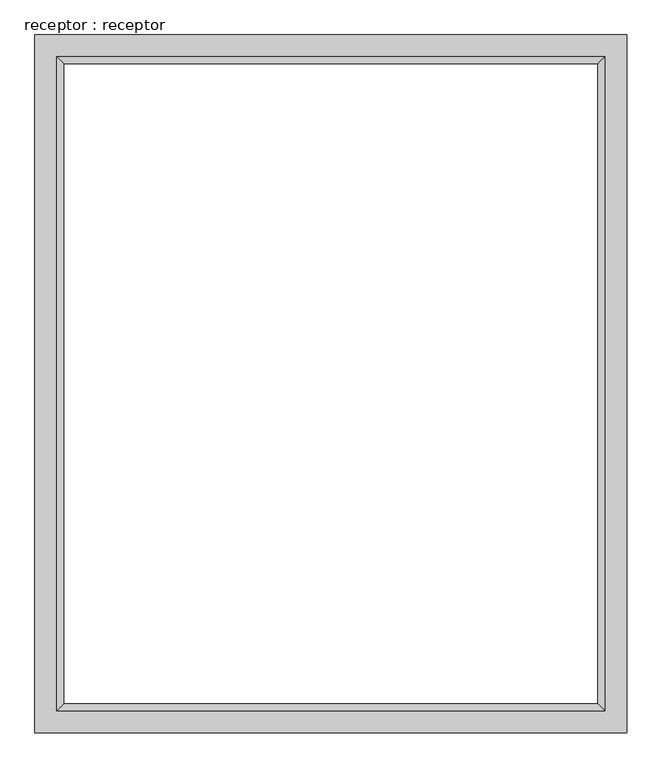
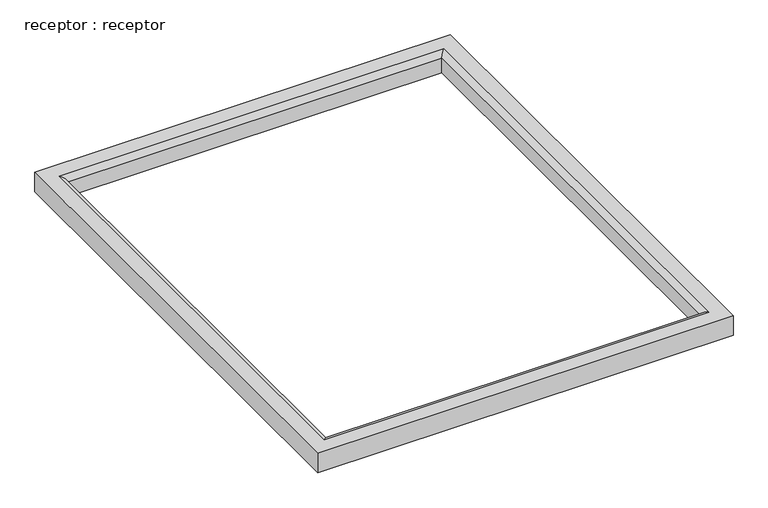
"""IFC4 building model written with IfcOpenShell, lengths in millimetres: proxy geometry, receptor : receptor."""

from ifc_helpers import new_model, si_unit, frame, origin, place, context, project, spatial, ellipse_curve, source, transform, mapped, element, save
from ifc_brep_helpers import plane_surface, cylinder_surface, advanced_brep


def receptor_receptor_e3450fd2(model_context):
    return source(origin(), model_context, "Body", "AdvancedBrep", [
        advanced_brep(
        [(-4918.1178132, 341.5093873, 3048.0), (-4918.1178132, 341.5093873, 3086.1), (-4918.1178132, -776.8843627, 3086.1), (-4918.1178132, -776.8843627, 3048.0), (-4968.9178132, 392.3093873, 3098.8), (-4968.9178132, 392.3093873, 3048.0), (-4968.9178132, -827.6843627, 3048.0), (-4968.9178132, -827.6843627, 3098.8), (-3984.6678132, -776.8843627, 3086.1), (-3984.6678132, -776.8843627, 3048.0), (-3933.8678132, -827.6843627, 3048.0), (-3933.8678132, -827.6843627, 3098.8), (-3984.6678132, 341.5093873, 3086.1), (-3984.6678132, 341.5093873, 3048.0), (-3933.8678132, 392.3093873, 3048.0), (-3933.8678132, 392.3093873, 3098.8), (-4930.8178132, 354.2093873, 3098.8), (-3971.9678132, 354.2093873, 3098.8), (-3971.9678132, -789.5843627, 3098.8), (-4930.8178132, -789.5843627, 3098.8)],
        [
            (0, 1),
            (1, 2),
            (2, 3),
            (3, 0),
            (4, 5),
            (5, 6),
            (6, 7),
            (7, 4),
            (2, 8),
            (8, 9),
            (9, 3),
            (6, 10),
            (10, 11),
            (11, 7),
            (8, 12),
            (12, 13),
            (13, 9),
            (10, 14),
            (14, 15),
            (15, 11),
            (15, 4),
            (16, 17),
            (17, 18),
            (18, 19),
            (19, 16),
            (12, 1),
            (0, 13),
            (5, 14),
            (1, 16, ellipse_curve(frame((-4930.8178132, 354.2093873, 3086.1), z_axis=(-0.7071067811865492, -0.7071067811865458, 0.0), x_axis=(-0.7071067811865457, 0.7071067811865492, 0.0)), 17.9605122, 12.7)),
            (19, 2, ellipse_curve(frame((-4930.8178132, -789.5843627, 3086.1), z_axis=(-0.7071067811865457, 0.7071067811865492, 0.0), x_axis=(0.7071067811865491, 0.707106781186546, 0.0)), 17.9605122, 12.7)),
            (18, 8, ellipse_curve(frame((-3971.9678132, -789.5843627, 3086.1), z_axis=(-0.7071067811865492, -0.7071067811865457, 0.0), x_axis=(-0.7071067811865458, 0.7071067811865492, 0.0)), 17.9605122, 12.7)),
            (17, 12, ellipse_curve(frame((-3971.9678132, 354.2093873, 3086.1), z_axis=(0.7071067811865458, -0.7071067811865492, 0.0), x_axis=(-0.7071067811865491, -0.7071067811865459, 0.0)), 17.9605122, 12.7)),
        ],
        [
            plane_surface(frame((-4918.1178132, 341.5093873, 3086.1), z_axis=(1.0, 0.0, 0.0), x_axis=(0.0, -1.0, 0.0))),
            plane_surface(frame((-4968.9178132, 392.3093873, 3048.0), z_axis=(-1.0, 0.0, 0.0), x_axis=(0.0, -1.0, 0.0))),
            plane_surface(frame((-4918.1178132, -776.8843627, 3086.1), z_axis=(0.0, 1.0, 0.0), x_axis=(1.0, 0.0, 0.0))),
            plane_surface(frame((-4968.9178132, -827.6843627, 3048.0), z_axis=(0.0, -1.0, 0.0), x_axis=(1.0, 0.0, 0.0))),
            plane_surface(frame((-3984.6678132, -776.8843627, 3086.1), z_axis=(-1.0, 0.0, 0.0), x_axis=(0.0, 1.0, 0.0))),
            plane_surface(frame((-3933.8678132, -827.6843627, 3048.0), z_axis=(1.0, 0.0, 0.0), x_axis=(0.0, 1.0, 0.0))),
            plane_surface(frame((-3933.8678132, 392.3093873, 3098.8), z_axis=(0.0, 0.0, 1.0), x_axis=(-1.0, 0.0, 0.0))),
            plane_surface(frame((-3984.6678132, 341.5093873, 3086.1), z_axis=(0.0, -1.0, 0.0), x_axis=(-1.0, 0.0, 0.0))),
            plane_surface(frame((-3984.6678132, 341.5093873, 3048.0), z_axis=(0.0, 0.0, -1.0), x_axis=(-1.0, 0.0, 0.0))),
            plane_surface(frame((-3933.8678132, 392.3093873, 3048.0), z_axis=(0.0, 1.0, 0.0), x_axis=(-1.0, 0.0, 0.0))),
            cylinder_surface(frame((-4930.8178132, 392.3093873, 3086.1), z_axis=(0.0, 1.0, 0.0), x_axis=(-1.0, 0.0, 0.0)), 12.7),
            cylinder_surface(frame((-4968.9178132, -789.5843627, 3086.1), z_axis=(-1.0, 0.0, 0.0), x_axis=(0.0, -1.0, 0.0)), 12.7),
            cylinder_surface(frame((-3971.9678132, -827.6843627, 3086.1), z_axis=(0.0, -1.0, 0.0), x_axis=(1.0, 0.0, 0.0)), 12.7),
            cylinder_surface(frame((-3933.8678132, 354.2093873, 3086.1), z_axis=(1.0, 0.0, 0.0), x_axis=(0.0, 1.0, 0.0)), 12.7),
        ],
        [
            (0, [[1, 2, 3, 4]]),
            (1, [[5, 6, 7, 8]]),
            (2, [[-3, 9, 10, 11]]),
            (3, [[-7, 12, 13, 14]]),
            (4, [[-10, 15, 16, 17]]),
            (5, [[-13, 18, 19, 20]]),
            (6, [[-14, -20, 21, -8], [22, 23, 24, 25]]),
            (7, [[-16, 26, -1, 27]]),
            (8, [[28, -18, -12, -6], [-11, -17, -27, -4]]),
            (9, [[-19, -28, -5, -21]]),
            (10, [[29, -25, 30, -2]]),
            (11, [[-30, -24, 31, -9]]),
            (12, [[-31, -23, 32, -15]]),
            (13, [[-32, -22, -29, -26]]),
        ],
    ),
    ])


if __name__ == "__main__":
    model = new_model("IFC4")
    model_context = context("Model", 3, world=origin())
    ifc_project = project(units=[si_unit("LENGTHUNIT", "METRE", prefix="MILLI")], contexts=[model_context])
    site = spatial("IfcSite", under=ifc_project)
    building = spatial("IfcBuilding", under=site)
    placement = place(None, origin())
    receptor_receptor_shape = receptor_receptor_e3450fd2(model_context)
    element("IfcBuildingElementProxy", 1, Name="receptor : receptor", ObjectType="receptor : receptor", at=placement, inside=building, context=model_context, shape_type="MappedRepresentation", body=[
        mapped(receptor_receptor_shape, transform((0.0, 0.0, 0.0), x_axis=(1.0, 0.0, 0.0), y_axis=(0.0, 1.0, 0.0), z_axis=(0.0, 0.0, 1.0))),
    ])
    save(model, "model.ifc")
